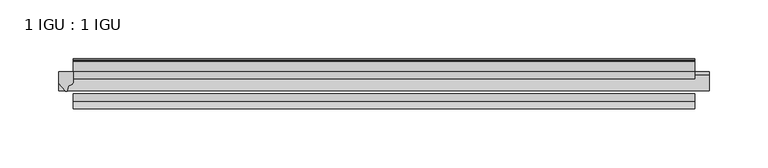
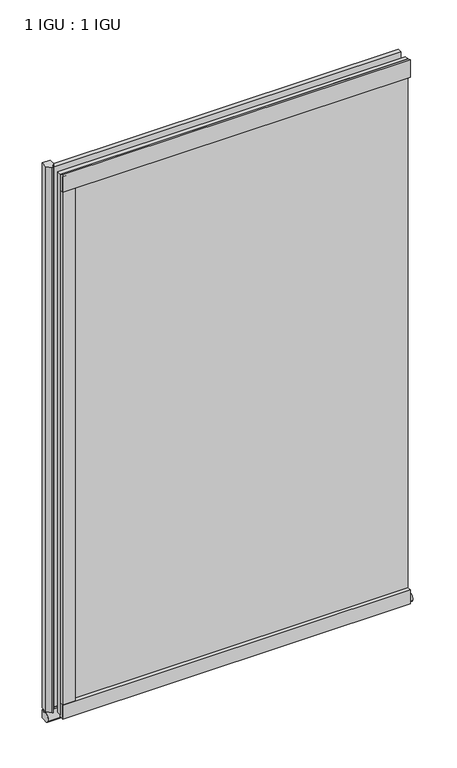
"""IFC4 building model written with IfcOpenShell, lengths in millimetres: plate geometry, 1 IGU : 1 IGU."""

from ifc_helpers import new_model, si_unit, point, frame, frame_2d, origin, place, context, project, spatial, polyline, circle_curve, ellipse_curve, trimmed, segment, composite_curve, outline, extrude, source, transform, mapped, element, save
from ifc_brep_helpers import plane_surface, revolved_surface, extruded_surface, advanced_brep


def plate_1_igu_1_igu_ca6604ec(model_context):
    return source(origin(), model_context, "Body", "SolidModel", [
        extrude(outline(polyline([(265.11885, 0.0021347), (265.11885, -6.2992), (-265.11885, -6.2992), (-265.11885, 0.0021347), (265.11885, 0.0021347)])), frame((0.0, 0.0, -19.05), z_axis=(0.0, 0.0, 1.0), x_axis=(1.0, 0.0, 0.0)), (0.0, 0.0, 1.0), 869.9368072),
        extrude(outline(polyline([(-265.11885, -19.0986653), (265.11885, -19.0986653), (265.11885, -25.3978653), (-265.11885, -25.3978653), (-265.11885, -19.0986653)])), frame((0.0, 0.0, -19.05), z_axis=(0.0, 0.0, 1.0), x_axis=(1.0, 0.0, 0.0)), (0.0, 0.0, 1.0), 869.9368072),
        advanced_brep(
        [(277.81885, -2.9334208, -29.3692082), (277.81885, -15.7658436, -30.8313288), (277.81885, -6.7904952, -34.925), (277.81885, 0.0, -34.925), (277.81885, 0.0, -22.225), (277.81885, -2.5187477, -22.225), (-277.81885, -2.9073519, -29.3720514), (-277.81885, -2.5187477, -22.225), (-277.81885, 0.0, -22.225), (-277.81885, 0.0, -34.925), (-277.81885, -6.7904952, -34.925), (-277.81885, -15.7658436, -30.8313288)],
        [
            (0, 1, ellipse_curve(frame((277.81885, -9.5065066, -28.575), z_axis=(1.0, 0.0, 0.0), x_axis=(0.0, 0.0, -1.0)), 6.9638038, 6.6162554)),
            (1, 2, ellipse_curve(frame((277.81885, -9.5065066, -28.575), z_axis=(1.0, 0.0, 0.0), x_axis=(0.0, 0.0, -1.0)), 6.9638038, 6.6162554)),
            (2, 3),
            (3, 4, circle_curve(frame((277.81885, 24.1576838, -28.575), z_axis=(-1.0, 0.0, 0.0), x_axis=(0.0, 0.0, 1.0)), 24.9783143)),
            (4, 5),
            (5, 0, circle_curve(frame((277.81885, -68.4358767, -22.225), z_axis=(-1.0, 0.0, 0.0), x_axis=(0.0, 0.0, 1.0)), 65.917129)),
            (6, 7, circle_curve(frame((-277.81885, -68.4358767, -22.225), z_axis=(1.0, 0.0, 0.0), x_axis=(0.0, 0.0, 1.0)), 65.917129)),
            (7, 8),
            (8, 9, circle_curve(frame((-277.81885, 24.1576838, -28.575), z_axis=(1.0, 0.0, 0.0), x_axis=(0.0, 0.0, 1.0)), 24.9783143)),
            (9, 10),
            (10, 11, ellipse_curve(frame((-277.81885, -9.5065066, -28.575), z_axis=(-1.0, 0.0, 0.0), x_axis=(0.0, 0.0, -1.0)), 6.9638038, 6.6162554)),
            (11, 6, ellipse_curve(frame((-277.81885, -9.5065066, -28.575), z_axis=(-1.0, 0.0, 0.0), x_axis=(0.0, 0.0, -1.0)), 6.9638038, 6.6162554)),
            (0, 6),
            (11, 1),
            (10, 2),
            (9, 3),
            (8, 4),
            (7, 5),
        ],
        [
            plane_surface(frame((277.81885, 0.0, -28.575), z_axis=(1.0, 0.0, 0.0), x_axis=(0.0, 1.0, 0.0))),
            plane_surface(frame((-277.81885, 0.0, -28.575), z_axis=(-1.0, 0.0, 0.0), x_axis=(0.0, 1.0, 0.0))),
            extruded_surface(trimmed(ellipse_curve(frame((-277.81885, -9.5065066, -28.575), z_axis=(1.0, 0.0, 0.0), x_axis=(0.0, 0.0, -1.0)), 6.9638038, 6.6162554), [point((-277.81885, -2.9334208, -29.3692082))], [point((-277.81885, -15.7658436, -30.8313288))], True, "CARTESIAN"), (555.6377, 0.0, 0.0), 555.6377),
            extruded_surface(trimmed(ellipse_curve(frame((-277.81885, -9.5065066, -28.575), z_axis=(1.0, 0.0, 0.0), x_axis=(0.0, 0.0, -1.0)), 6.9638038, 6.6162554), [point((-277.81885, -15.7658436, -30.8313288))], [point((-277.81885, -6.7904952, -34.925))], True, "CARTESIAN"), (555.6377, 0.0, 0.0), 555.6377),
            plane_surface(frame((277.81885, -6.7904952, -34.925), z_axis=(0.0, 0.0, -1.0), x_axis=(-1.0, 0.0, 0.0))),
            revolved_surface(polyline([(-277.81885, 24.1576838, -3.5966856999999983), (277.81885, 24.1576838, -3.5966856999999983)]), (277.81885, 24.1576838, -28.575), (-1.0, 0.0, 0.0)),
            plane_surface(frame((277.81885, 0.0, -22.225), z_axis=(0.0, 0.0, 1.0), x_axis=(-1.0, 0.0, 0.0))),
            revolved_surface(polyline([(-277.81885, -68.4358767, 43.692129), (277.81885, -68.4358767, 43.692129)]), (277.81885, -68.4358767, -22.225), (-1.0, 0.0, 0.0)),
        ],
        [
            (0, [[1, 2, 3, 4, 5, 6]]),
            (1, [[7, 8, 9, 10, 11, 12]]),
            (2, [[-1, 13, -12, 14]]),
            (3, [[-2, -14, -11, 15]]),
            (4, [[-3, -15, -10, 16]]),
            (5, [[-4, -16, -9, 17]]),
            (6, [[-5, -17, -8, 18]]),
            (7, [[-6, -18, -7, -13]]),
        ],
    ),
        extrude(outline(composite_curve([segment(polyline([(-265.11885, 8.8e-06), (-265.11885, -7.7683362)]), True, "CONTINUOUS"), segment(trimmed(circle_curve(frame_2d((-269.0903479, -7.7683362)), 3.9714979), [point((-265.11885, -7.7683362))], [point((-269.2177998, -11.7377885))], False, "CARTESIAN"), True, "CONTINUOUS"), segment(polyline([(-269.2177998, -11.7377885), (-270.1978343, -16.012436)]), True, "CONTINUOUS"), segment(trimmed(circle_curve(frame_2d((-271.2990433, -15.7723555)), 1.1270758), [point((-270.1978343, -16.012436))], [point((-272.2528827, -16.372764))], False, "CARTESIAN"), True, "CONTINUOUS"), segment(polyline([(-272.2528827, -16.372764), (-277.81885, -9.7395025), (-277.81885, 8.8e-06), (-265.11885, 8.8e-06)]), True, "CONTINUOUS")], self_intersect=False)), frame((0.0, 0.0, -19.05), z_axis=(0.0, 0.0, 1.0), x_axis=(1.0, 0.0, 0.0)), (0.0, 0.0, 1.0), 877.0742072),
        extrude(outline(composite_curve([segment(polyline([(-31.75, 0.0), (-25.4, 0.0), (-25.4, -22.225)]), True, "CONTINUOUS"), segment(trimmed(circle_curve(frame_2d((-28.575, -28.9113452)), 7.4018806), [point((-25.4, -22.225))], [point((-31.75, -22.225))], True, "CARTESIAN"), True, "CONTINUOUS"), segment(polyline([(-31.75, -22.225), (-31.75, 0.0)]), True, "CONTINUOUS")], self_intersect=False)), frame((-265.11885, 0.0, 0.0), z_axis=(1.0, 0.0, 0.0), x_axis=(0.0, 1.0, 0.0)), (0.0, 0.0, 1.0), 530.2377),
        extrude(outline(composite_curve([segment(polyline([(8.509, 840.7300284), (8.509, 838.6980284), (6.35, 838.6980284), (6.35, 833.3640284), (8.9492698, 833.3640284)]), True, "CONTINUOUS"), segment(trimmed(circle_curve(frame_2d((8.208689, 831.8368072)), 1.697311), [point((8.9492698, 833.3640284))], [point((8.962411, 830.3160284))], False, "CARTESIAN"), True, "CONTINUOUS"), segment(polyline([(8.962411, 830.3160284), (6.35, 830.3160284), (6.35, 825.4868072), (11.1252, 825.4868072), (11.1252, 824.5978072)]), True, "CONTINUOUS"), segment(trimmed(circle_curve(frame_2d((10.1092, 824.5978072)), 1.016), [point((11.1252, 824.5978072))], [point((10.1092, 823.5818072))], False, "CARTESIAN"), True, "CONTINUOUS"), segment(trimmed(circle_curve(frame_2d((10.1092, 804.1707318)), 19.4110754), [point((10.1092, 823.5818072))], [point((0.0, 820.7416075))], True, "CARTESIAN"), True, "CONTINUOUS"), segment(polyline([(0.0, 820.7416075), (0.0, 840.7300284), (8.509, 840.7300284)]), True, "CONTINUOUS")], self_intersect=False)), frame((-265.11885, 0.0, 0.0), z_axis=(1.0, 0.0, 0.0), x_axis=(0.0, 1.0, 0.0)), (0.0, 0.0, 1.0), 530.2377),
        extrude(outline(composite_curve([segment(polyline([(-25.4, 850.8868072), (-25.4, 825.4868072), (-31.75, 825.4868072), (-31.75, 853.6597045)]), True, "CONTINUOUS"), segment(trimmed(circle_curve(frame_2d((-24.1401272, 862.4292187)), 11.6109665), [point((-31.75, 853.6597045))], [point((-25.4, 850.8868072))], True, "CARTESIAN"), True, "CONTINUOUS")], self_intersect=False)), frame((-265.11885, 0.0, 0.0), z_axis=(1.0, 0.0, 0.0), x_axis=(0.0, 1.0, 0.0)), (0.0, 0.0, 1.0), 530.2377),
        extrude(outline(composite_curve([segment(trimmed(circle_curve(frame_2d((-274.5850007, -28.575)), 9.9844196), [point((-265.11885, -31.75))], [point((-265.11885, -25.4))], True, "CARTESIAN"), True, "CONTINUOUS"), segment(polyline([(-265.11885, -25.4), (-246.06885, -25.4), (-246.06885, -31.75), (-265.11885, -31.75)]), True, "CONTINUOUS")], self_intersect=False)), frame((0.0, 0.0, -19.05), z_axis=(0.0, 0.0, 1.0), x_axis=(1.0, 0.0, 0.0)), (0.0, 0.0, 1.0), 869.9368072),
    ])


if __name__ == "__main__":
    model = new_model("IFC4")
    model_context = context("Model", 3, world=origin())
    ifc_project = project(units=[si_unit("LENGTHUNIT", "METRE", prefix="MILLI")], contexts=[model_context])
    site = spatial("IfcSite", under=ifc_project)
    building = spatial("IfcBuilding", under=site)
    placement = place(None, origin())
    plate_1_igu_1_igu_shape = plate_1_igu_1_igu_ca6604ec(model_context)
    element("IfcPlate", 1, ObjectType="1 IGU : 1 IGU", at=placement, inside=building, context=model_context, shape_type="MappedRepresentation", body=[
        mapped(plate_1_igu_1_igu_shape, transform((0.0, 0.0, 0.0), x_axis=(1.0, 0.0, 0.0), y_axis=(0.0, 1.0, 0.0), z_axis=(0.0, 0.0, 1.0))),
    ])
    save(model, "model.ifc")
